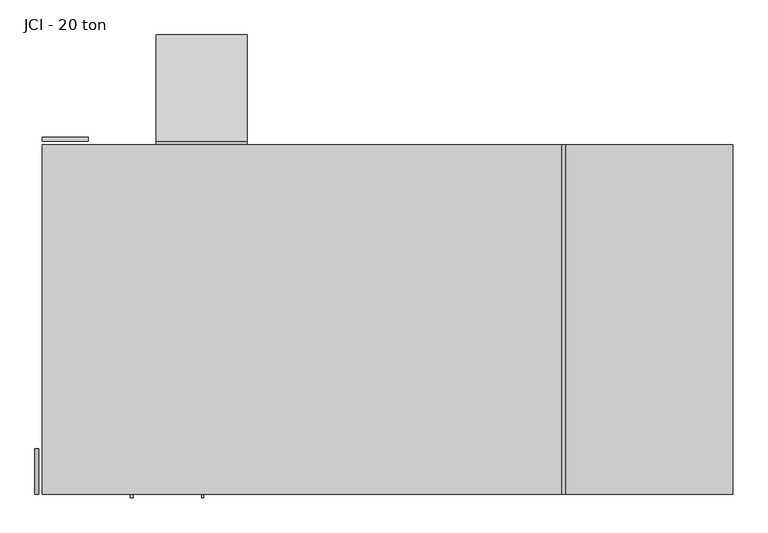
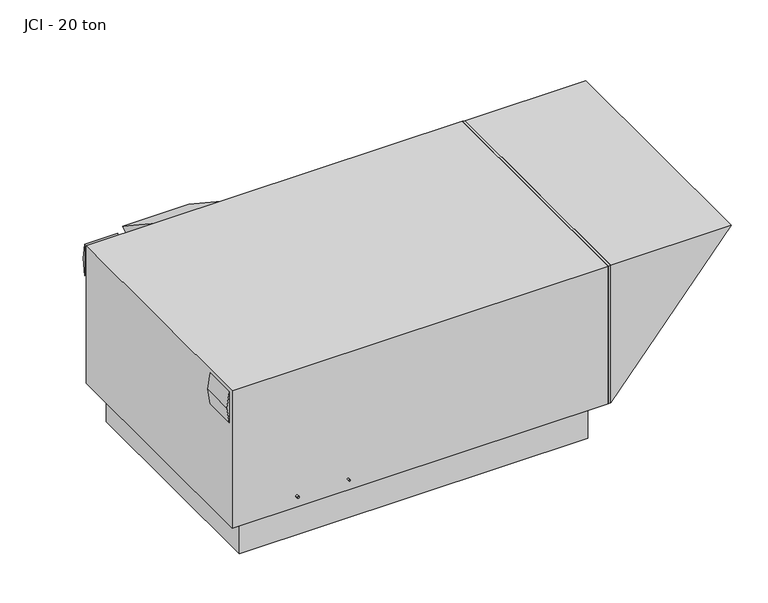
"""IFC4 building model written with IfcOpenShell, lengths in millimetres: proxy geometry, JCI - 20 ton."""

from ifc_helpers import new_model, si_unit, frame, origin, origin_with_axes, place, context, project, spatial, polyline, circle_curve, outline, extrude, source, transform, mapped, element, save
from ifc_brep_helpers import plane_surface, cylinder_surface, advanced_brep


def jci_20_ton_6347e847(model_context):
    return source(origin(), model_context, "Body", "SolidModel", [
        extrude(outline(polyline([(1041.4, -3505.2), (1346.2, -3505.2), (1193.8, -3530.6), (1041.4, -3505.2)])), frame((0.0, 0.0, 0.0), z_axis=(0.0, 1.0, 0.0), x_axis=(0.0, 0.0, 1.0)), (0.0, 0.0, 1.0), 304.8),
        extrude(outline(polyline([(1041.4, -3505.2), (1346.2, -3505.2), (1193.8, -3530.6), (1041.4, -3505.2)])), frame((0.0, 0.0, 0.0), z_axis=(0.0, 1.0, 0.0), x_axis=(0.0, 0.0, 1.0)), (0.0, 0.0, 1.0), 304.8),
        extrude(outline(polyline([(2362.2, 1041.4), (2362.2, 1346.2), (2387.6, 1193.8), (2362.2, 1041.4)])), frame((-3479.8, 0.0, 0.0), z_axis=(1.0, 0.0, 0.0), x_axis=(0.0, 1.0, 0.0)), (0.0, 0.0, 1.0), 304.8),
        extrude(outline(polyline([(2362.2, 355.6), (2362.2, 1295.4), (3073.4, 825.5), (2362.2, 355.6)])), frame((-2717.8, 0.0, 0.0), z_axis=(1.0, 0.0, 0.0), x_axis=(0.0, 1.0, 0.0)), (0.0, 0.0, 1.0), 609.6),
        extrude(outline(polyline([(-2717.8, 2362.2), (-2108.2, 2362.2), (-2108.2, 2336.8), (-2717.8, 2336.8), (-2717.8, 2362.2)])), frame((0.0, 0.0, 355.6), z_axis=(0.0, 0.0, 1.0), x_axis=(1.0, 0.0, 0.0)), (0.0, 0.0, 1.0), 939.8),
        extrude(outline(polyline([(-127.0, 2235.2), (-127.0, 101.6), (-3352.8, 101.6), (-3352.8, 2235.2), (-127.0, 2235.2)])), frame((0.0, 0.0, -355.6), z_axis=(0.0, 0.0, 1.0), x_axis=(1.0, 0.0, 0.0)), (0.0, 0.0, 1.0), 355.6),
        extrude(outline(polyline([(1346.2, 1143.0), (1346.2, 25.4), (0.0, 25.4), (1346.2, 1143.0)])), frame((0.0, 0.0, 0.0), z_axis=(0.0, 1.0, 0.0), x_axis=(0.0, 0.0, 1.0)), (0.0, 0.0, 1.0), 2336.8),
        extrude(outline(polyline([(25.4, 2336.8), (25.4, 0.0), (0.0, 0.0), (0.0, 2336.8), (25.4, 2336.8)])), origin_with_axes(), (0.0, 0.0, 1.0), 1346.2),
        advanced_brep(
        [(0.0, 2336.8, 1346.2), (-3479.8, 2336.8, 1346.2), (-3479.8, 0.0, 1346.2), (0.0, 0.0, 1346.2), (0.0, 2336.8, 0.0), (0.0, 0.0, 0.0), (-3479.8, 0.0, 0.0), (-3479.8, 2336.8, 0.0), (-1752.6, 2187.575, 0.0), (-2616.2, 2187.575, 0.0), (-2616.2, 1273.175, 0.0), (-1752.6, 1273.175, 0.0), (-1092.2, 2187.575, 0.0), (-1651.0, 2187.575, 0.0), (-1651.0, 1273.175, 0.0), (-1092.2, 1273.175, 0.0), (-2400.3, 0.0, 107.95), (-2413.0, 0.0, 107.95), (-2871.7875, 0.0, 107.95), (-2890.8375, 0.0, 107.95), (0.0, 58.7375, 142.875), (0.0, 7.9375, 142.875), (-1752.6, 2187.575, 107.95), (-1752.6, 1273.175, 107.95), (-2616.2, 1273.175, 107.95), (-2616.2, 2187.575, 107.95), (-1092.2, 2187.575, 107.95), (-1092.2, 1273.175, 107.95), (-1651.0, 1273.175, 107.95), (-1651.0, 2187.575, 107.95), (-2413.0, -25.5724411, 107.95), (-2400.3, -25.5724411, 107.95), (25.4, 7.9375, 142.875), (25.4, 58.7375, 142.875), (-2890.8375, -25.5724411, 107.95), (-2871.7875, -25.5724411, 107.95)],
        [
            (0, 1),
            (1, 2),
            (2, 3),
            (3, 0),
            (4, 5),
            (5, 6),
            (6, 7),
            (7, 4),
            (8, 9),
            (9, 10),
            (10, 11),
            (11, 8),
            (12, 13),
            (13, 14),
            (14, 15),
            (15, 12),
            (0, 4),
            (7, 1),
            (6, 2),
            (5, 3),
            (16, 17, circle_curve(frame((-2406.65, 0.0, 107.95), z_axis=(0.0, 1.0, 0.0), x_axis=(1.0, 0.0, 0.0)), 6.35)),
            (17, 16, circle_curve(frame((-2406.65, 0.0, 107.95), z_axis=(0.0, 1.0, 0.0), x_axis=(1.0, 0.0, 0.0)), 6.35)),
            (18, 19, circle_curve(frame((-2881.3125, 0.0, 107.95), z_axis=(0.0, 1.0, 0.0), x_axis=(1.0, 0.0, 0.0)), 9.525)),
            (19, 18, circle_curve(frame((-2881.3125, 0.0, 107.95), z_axis=(0.0, 1.0, 0.0), x_axis=(1.0, 0.0, 0.0)), 9.525)),
            (20, 21, circle_curve(frame((0.0, 33.3375, 142.875), z_axis=(-1.0, 0.0, 0.0), x_axis=(0.0, 1.0, 0.0)), 25.4)),
            (21, 20, circle_curve(frame((0.0, 33.3375, 142.875), z_axis=(-1.0, 0.0, 0.0), x_axis=(0.0, 1.0, 0.0)), 25.4)),
            (22, 23),
            (23, 24),
            (24, 25),
            (25, 22),
            (26, 27),
            (27, 28),
            (28, 29),
            (29, 26),
            (25, 9),
            (8, 22),
            (24, 10),
            (23, 11),
            (29, 13),
            (12, 26),
            (28, 14),
            (27, 15),
            (30, 31, circle_curve(frame((-2406.65, -25.5724411, 107.95), z_axis=(0.0, -1.0, 0.0), x_axis=(1.0, 0.0, 0.0)), 6.35)),
            (31, 30, circle_curve(frame((-2406.65, -25.5724411, 107.95), z_axis=(0.0, -1.0, 0.0), x_axis=(1.0, 0.0, 0.0)), 6.35)),
            (30, 17),
            (16, 31),
            (32, 33, circle_curve(frame((25.4, 33.3375, 142.875), z_axis=(1.0, 0.0, 0.0), x_axis=(0.0, 1.0, 0.0)), 25.4)),
            (33, 32, circle_curve(frame((25.4, 33.3375, 142.875), z_axis=(1.0, 0.0, 0.0), x_axis=(0.0, 1.0, 0.0)), 25.4)),
            (32, 21),
            (20, 33),
            (34, 35, circle_curve(frame((-2881.3125, -25.5724411, 107.95), z_axis=(0.0, -1.0, 0.0), x_axis=(1.0, 0.0, 0.0)), 9.525)),
            (35, 34, circle_curve(frame((-2881.3125, -25.5724411, 107.95), z_axis=(0.0, -1.0, 0.0), x_axis=(1.0, 0.0, 0.0)), 9.525)),
            (34, 19),
            (18, 35),
        ],
        [
            plane_surface(frame((-3479.8, 2336.8, 1346.2), z_axis=(0.0, 0.0, 1.0), x_axis=(-1.0, 0.0, 0.0))),
            plane_surface(frame((-3479.8, 2336.8, 0.0), z_axis=(0.0, 0.0, -1.0), x_axis=(1.0, 0.0, 0.0))),
            plane_surface(frame((0.0, 2336.8, 1346.2), z_axis=(0.0, 1.0, 0.0), x_axis=(0.0, 0.0, -1.0))),
            plane_surface(frame((-3479.8, 2336.8, 1346.2), z_axis=(-1.0, 0.0, 0.0), x_axis=(0.0, 0.0, -1.0))),
            plane_surface(frame((-3479.8, 0.0, 1346.2), z_axis=(0.0, -1.0, 0.0), x_axis=(0.0, 0.0, -1.0))),
            plane_surface(frame((0.0, 0.0, 1346.2), z_axis=(1.0, 0.0, 0.0), x_axis=(0.0, 0.0, -1.0))),
            plane_surface(frame((-2616.2, 2187.575, 107.95), z_axis=(0.0, 0.0, -1.0), x_axis=(-1.0, 0.0, 0.0))),
            plane_surface(frame((-1752.6, 2187.575, 107.95), z_axis=(0.0, -1.0, 0.0), x_axis=(0.0, 0.0, -1.0))),
            plane_surface(frame((-2616.2, 2187.575, 107.95), z_axis=(1.0, 0.0, 0.0), x_axis=(0.0, 0.0, -1.0))),
            plane_surface(frame((-2616.2, 1273.175, 107.95), z_axis=(0.0, 1.0, 0.0), x_axis=(0.0, 0.0, -1.0))),
            plane_surface(frame((-1752.6, 1273.175, 107.95), z_axis=(-1.0, 0.0, 0.0), x_axis=(0.0, 0.0, -1.0))),
            plane_surface(frame((-1092.2, 2187.575, 107.95), z_axis=(0.0, -1.0, 0.0), x_axis=(0.0, 0.0, -1.0))),
            plane_surface(frame((-1651.0, 2187.575, 107.95), z_axis=(1.0, 0.0, 0.0), x_axis=(0.0, 0.0, -1.0))),
            plane_surface(frame((-1651.0, 1273.175, 107.95), z_axis=(0.0, 1.0, 0.0), x_axis=(0.0, 0.0, -1.0))),
            plane_surface(frame((-1092.2, 1273.175, 107.95), z_axis=(-1.0, 0.0, 0.0), x_axis=(0.0, 0.0, -1.0))),
            plane_surface(frame((-2400.3, -25.5724411, 107.95), z_axis=(0.0, -1.0, 0.0), x_axis=(0.0, 0.0, 1.0))),
            cylinder_surface(frame((-2406.65, 0.0, 107.95), z_axis=(0.0, -1.0, 0.0), x_axis=(1.0, 0.0, 0.0)), 6.35),
            plane_surface(frame((25.4, 58.7375, 142.875), z_axis=(1.0, 0.0, 0.0), x_axis=(0.0, 0.0, 1.0))),
            cylinder_surface(frame((0.0, 33.3375, 142.875), z_axis=(1.0, 0.0, 0.0), x_axis=(0.0, 1.0, 0.0)), 25.4),
            plane_surface(frame((-2871.7875, -25.5724411, 107.95), z_axis=(0.0, -1.0, 0.0), x_axis=(0.0, 0.0, 1.0))),
            cylinder_surface(frame((-2881.3125, 0.0, 107.95), z_axis=(0.0, -1.0, 0.0), x_axis=(1.0, 0.0, 0.0)), 9.525),
        ],
        [
            (0, [[1, 2, 3, 4]]),
            (1, [[5, 6, 7, 8], [9, 10, 11, 12], [13, 14, 15, 16]]),
            (2, [[-1, 17, -8, 18]]),
            (3, [[-2, -18, -7, 19]]),
            (4, [[-3, -19, -6, 20], [21, 22], [23, 24]]),
            (5, [[-4, -20, -5, -17], [25, 26]]),
            (6, [[27, 28, 29, 30]]),
            (6, [[31, 32, 33, 34]]),
            (7, [[-30, 35, -9, 36]]),
            (8, [[-29, 37, -10, -35]]),
            (9, [[-28, 38, -11, -37]]),
            (10, [[-27, -36, -12, -38]]),
            (11, [[-34, 39, -13, 40]]),
            (12, [[-33, 41, -14, -39]]),
            (13, [[-32, 42, -15, -41]]),
            (14, [[-31, -40, -16, -42]]),
            (15, [[43, 44]]),
            (16, [[-43, 45, -21, 46]]),
            (16, [[-44, -46, -22, -45]]),
            (17, [[47, 48]]),
            (18, [[-47, 49, -25, 50]]),
            (18, [[-48, -50, -26, -49]]),
            (19, [[51, 52]]),
            (20, [[-51, 53, -23, 54]]),
            (20, [[-52, -54, -24, -53]]),
        ],
    ),
    ])


if __name__ == "__main__":
    model = new_model("IFC4")
    model_context = context("Model", 3, world=origin())
    ifc_project = project(units=[si_unit("LENGTHUNIT", "METRE", prefix="MILLI")], contexts=[model_context])
    site = spatial("IfcSite", under=ifc_project)
    building = spatial("IfcBuilding", under=site)
    placement = place(None, origin())
    jci_20_ton_shape = jci_20_ton_6347e847(model_context)
    element("IfcBuildingElementProxy", 1, Name="JCI - 20 ton", ObjectType="JCI - 20 ton", at=placement, inside=building, context=model_context, shape_type="MappedRepresentation", body=[
        mapped(jci_20_ton_shape, transform((0.0, 0.0, 0.0), x_axis=(1.0, 0.0, 0.0), y_axis=(0.0, 1.0, 0.0), z_axis=(0.0, 0.0, 1.0))),
    ])
    save(model, "model.ifc")
